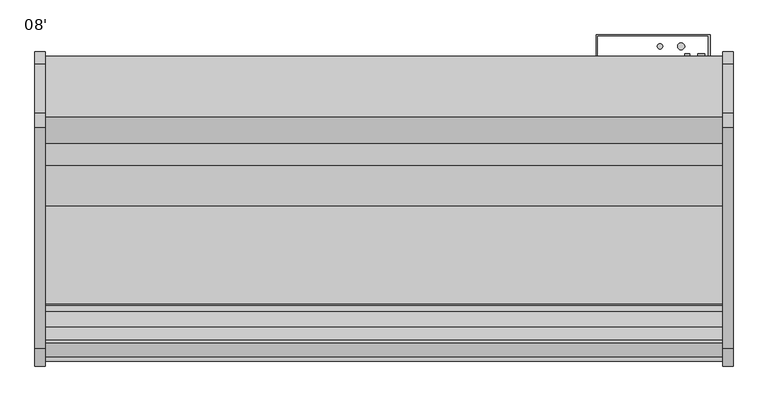
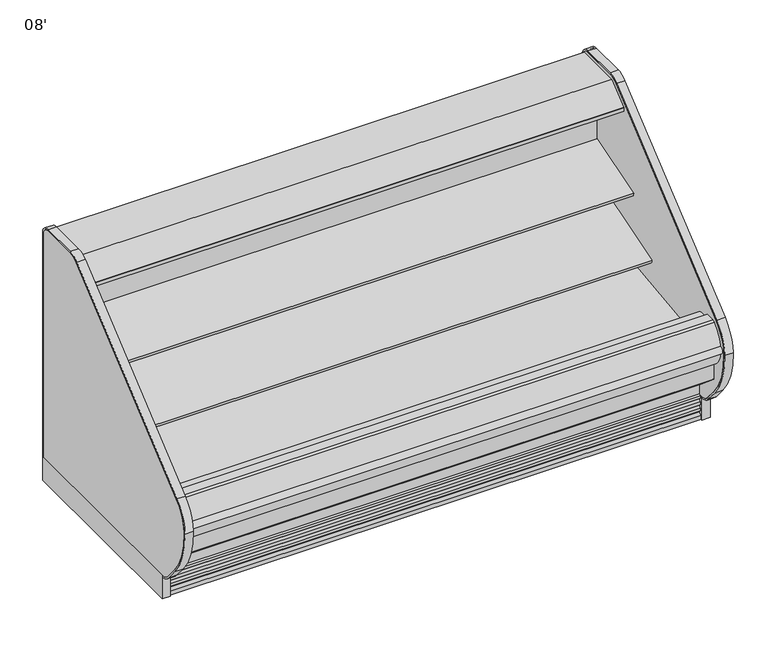
"""IFC4 building model written with IfcOpenShell, lengths in millimetres: proxy geometry, 08'."""

from ifc_helpers import new_model, si_unit, point, frame, frame_2d, origin, origin_with_axes, place, context, project, spatial, polyline, circle_curve, trimmed, segment, composite_curve, outline, extrude, source, transform, mapped, element, save
from ifc_brep_helpers import plane_surface, cylinder_surface, revolved_surface, advanced_brep


def proxy_08_70525a5b(model_context):
    return source(origin(), model_context, "Body", "SolidModel", [
        extrude(outline(composite_curve([segment(trimmed(circle_curve(frame_2d((2190.6252137, -1128.5839273)), 9.525), [point((2181.1002137, -1128.5839273))], [point((2200.1502137, -1128.5839273))], False, "CARTESIAN"), True, "CONTINUOUS"), segment(trimmed(circle_curve(frame_2d((2190.6252137, -1128.5839273)), 9.525), [point((2200.1502137, -1128.5839273))], [point((2181.1002137, -1128.5839273))], False, "CARTESIAN"), True, "CONTINUOUS")], self_intersect=False)), frame((0.0, 0.0, 68.5310382), z_axis=(0.0, 0.0, 1.0), x_axis=(1.0, 0.0, 0.0)), (0.0, 0.0, 1.0), 52.7807458),
        extrude(outline(composite_curve([segment(trimmed(circle_curve(frame_2d((2240.279026, -1128.5839273)), 12.7), [point((2227.579026, -1128.5839273))], [point((2252.979026, -1128.5839273))], False, "CARTESIAN"), True, "CONTINUOUS"), segment(trimmed(circle_curve(frame_2d((2240.279026, -1128.5839273)), 12.7), [point((2252.979026, -1128.5839273))], [point((2227.579026, -1128.5839273))], False, "CARTESIAN"), True, "CONTINUOUS")], self_intersect=False)), frame((0.0, 0.0, 68.5310382), z_axis=(0.0, 0.0, 1.0), x_axis=(1.0, 0.0, 0.0)), (0.0, 0.0, 1.0), 52.7807458),
        extrude(outline(composite_curve([segment(polyline([(-514.5184043, 1137.9230838), (-504.8108903, 1140.9213787), (-504.5441858, 1140.0578752), (-503.4770145, 1140.0578752), (-503.4770145, 1046.2935435), (-528.7722287, 1042.7407473)]), True, "CONTINUOUS"), segment(trimmed(circle_curve(frame_2d((-528.9121117, 1044.3144225)), 1.57988), [point((-528.7722287, 1042.7407473))], [point((-530.4766164, 1044.0945457))], False, "CARTESIAN"), True, "CONTINUOUS"), segment(polyline([(-530.4766164, 1044.0945457), (-531.3614261, 1050.3902938), (-530.5766584, 1050.5005857), (-529.5822638, 1043.4251005), (-506.0015054, 1046.73916), (-520.0975442, 1147.0376871), (-542.8581255, 1144.0153314)]), True, "CONTINUOUS"), segment(trimmed(circle_curve(frame_2d((-542.7544773, 1143.234783)), 0.7874), [point((-542.8581255, 1144.0153314))], [point((-543.5350257, 1143.1311347))], True, "CARTESIAN"), True, "CONTINUOUS"), segment(polyline([(-543.5350257, 1143.1311347), (-542.5119167, 1135.4263646), (-543.2924653, 1135.3227184), (-544.3155741, 1143.0274865)]), True, "CONTINUOUS"), segment(trimmed(circle_curve(frame_2d((-542.7544773, 1143.234783)), 1.5748), [point((-544.3155741, 1143.0274865))], [point((-542.9617738, 1144.7958798))], False, "CARTESIAN"), True, "CONTINUOUS"), segment(polyline([(-542.9617738, 1144.7958798), (-518.9973626, 1147.9780909)]), True, "CONTINUOUS"), segment(trimmed(circle_curve(frame_2d((-518.7900661, 1146.4169941)), 1.5748), [point((-518.9973626, 1147.9780909))], [point((-517.2854014, 1146.8817298))], False, "CARTESIAN"), True, "CONTINUOUS"), segment(polyline([(-517.2854014, 1146.8817298), (-514.5184043, 1137.9230838)]), True, "CONTINUOUS")], self_intersect=False)), frame((0.0, 0.0, 0.0), z_axis=(1.0, 0.0, 0.0), x_axis=(0.0, 1.0, 0.0)), (0.0, 0.0, 1.0), 2438.4),
        extrude(outline(polyline([(-401.5419232, 1219.2), (-401.5419232, 1172.7720648), (-452.3089273, 1172.7720648), (-452.3089273, 1140.0578752), (-504.5441858, 1140.0578752), (-506.6234348, 1146.7898143), (-511.417881, 1145.3089857), (-535.4879211, 1173.9945425), (-642.2562389, 1173.9945425), (-643.0944389, 1173.1563425), (-643.0944389, 1162.0311425), (-643.6525285, 1160.8523324), (-688.2903714, 1124.2763324), (-689.2562818, 1123.9311425), (-700.752905, 1123.9311425), (-700.752905, 1121.9993669), (-715.8339273, 1121.9993669), (-715.8339273, 1140.2683169), (-715.2407658, 1141.5119059), (-619.3039593, 1219.2), (-401.5419232, 1219.2)])), frame((0.0, 0.0, 0.0), z_axis=(1.0, 0.0, 0.0), x_axis=(0.0, 1.0, 0.0)), (0.0, 0.0, 1.0), 2438.4),
        extrude(outline(composite_curve([segment(polyline([(-506.0015054, 1046.73916), (-529.5822638, 1043.4251005), (-530.5766584, 1050.5005857), (-542.5070926, 1135.3900359), (-543.5350257, 1143.1311347)]), True, "CONTINUOUS"), segment(trimmed(circle_curve(frame_2d((-542.7544773, 1143.234783)), 0.7874), [point((-543.5350257, 1143.1311347))], [point((-542.8581255, 1144.0153314))], False, "CARTESIAN"), True, "CONTINUOUS"), segment(polyline([(-542.8581255, 1144.0153314), (-520.0975442, 1147.0376871), (-506.0015054, 1046.73916)]), True, "CONTINUOUS")], self_intersect=False)), frame((0.0, 0.0, 0.0), z_axis=(1.0, 0.0, 0.0), x_axis=(0.0, 1.0, 0.0)), (0.0, 0.0, 1.0), 2438.4),
        extrude(outline(composite_curve([segment(trimmed(circle_curve(frame_2d((-587.0366389, 1151.3155175)), 14.2875), [point((-601.3241389, 1151.3155175))], [point((-572.7491389, 1151.3155175))], False, "CARTESIAN"), True, "CONTINUOUS"), segment(trimmed(circle_curve(frame_2d((-587.0366389, 1151.3155175)), 14.2875), [point((-572.7491389, 1151.3155175))], [point((-601.3241389, 1151.3155175))], False, "CARTESIAN"), True, "CONTINUOUS")], self_intersect=False)), frame((0.0, 0.0, 0.0), z_axis=(1.0, 0.0, 0.0), x_axis=(0.0, 1.0, 0.0)), (0.0, 0.0, 1.0), 2438.4),
        extrude(outline(composite_curve([segment(trimmed(circle_curve(frame_2d((-624.4254389, 1151.3155175)), 14.2875), [point((-638.7129389, 1151.3155175))], [point((-610.1379389, 1151.3155175))], False, "CARTESIAN"), True, "CONTINUOUS"), segment(trimmed(circle_curve(frame_2d((-624.4254389, 1151.3155175)), 14.2875), [point((-610.1379389, 1151.3155175))], [point((-638.7129389, 1151.3155175))], False, "CARTESIAN"), True, "CONTINUOUS")], self_intersect=False)), frame((0.0, 0.0, 0.0), z_axis=(1.0, 0.0, 0.0), x_axis=(0.0, 1.0, 0.0)), (0.0, 0.0, 1.0), 2438.4),
        extrude(outline(polyline([(2387.7852968, -401.5089273), (2387.7852968, -328.4839273), (1987.894795, -328.4839273), (1987.894795, -401.5089273), (1983.9108738, -401.5089273), (1983.9108738, -325.3089273), (2393.95, -325.3089273), (2393.95, -401.5089273), (2387.7852968, -401.5089273)])), frame((0.0, 0.0, 183.281282), z_axis=(0.0, 0.0, 1.0), x_axis=(1.0, 0.0, 0.0)), (0.0, 0.0, 1.0), 925.9383854),
        advanced_brep(
        [(0.0, -401.5089273, 1172.7720648), (0.0, -401.5089273, 130.175), (0.0, -1280.7758002, 130.175), (0.0, -1430.5207837, 255.8259604), (0.0, -1430.5207837, 390.4771975), (0.0, -1379.5124455, 390.4771975), (0.0, -1379.5124455, 334.3739209), (0.0, -1221.964683, 189.2843753), (0.0, -1163.9200968, 157.108203), (0.0, -1097.1040899, 157.108203), (0.0, -1043.9921866, 195.6902403), (0.0, -599.382701, 211.674682), (0.0, -452.3089273, 350.7638053), (0.0, -452.3089273, 1172.7720648), (2438.4, -401.5089273, 1172.7720648), (2438.4, -452.3089273, 1172.7720648), (2438.4, -452.3089273, 350.7638053), (2438.4, -599.382701, 211.674682), (2438.4, -1043.9921866, 195.6902403), (2438.4, -1097.1040899, 157.108203), (2438.4, -1163.9200968, 157.108203), (2438.4, -1221.964683, 189.2843753), (2438.4, -1379.5124455, 334.3739209), (2438.4, -1379.5124455, 390.4771975), (2438.4, -1430.5207837, 390.4771975), (2438.4, -1430.5207837, 255.8259604), (2438.4, -1280.7758002, 130.175), (2438.4, -401.5089273, 130.175), (2336.8, -401.5089273, 417.7254285), (2336.8, -401.5089273, 316.1254285), (2336.8, -446.7209273, 316.1254285), (2336.8, -446.7209273, 417.7254285)],
        [
            (0, 1),
            (1, 2),
            (2, 3),
            (3, 4),
            (4, 5),
            (5, 6),
            (6, 7, circle_curve(frame((0.0, -1227.2834533, 341.5915343), z_axis=(1.0, 0.0, 0.0), x_axis=(0.0, 1.0, 0.0)), 152.4)),
            (7, 8),
            (8, 9),
            (9, 10),
            (10, 11),
            (11, 12, circle_curve(frame((0.0, -604.8944357, 364.8057873), z_axis=(1.0, 0.0, 0.0), x_axis=(0.0, 1.0, 0.0)), 153.2302667)),
            (12, 13),
            (13, 0),
            (14, 15),
            (15, 16),
            (16, 17, circle_curve(frame((2438.4, -604.8944357, 364.8057873), z_axis=(-1.0, 0.0, 0.0), x_axis=(0.0, 1.0, 0.0)), 153.2302667)),
            (17, 18),
            (18, 19),
            (19, 20),
            (20, 21),
            (21, 22, circle_curve(frame((2438.4, -1227.2834533, 341.5915343), z_axis=(-1.0, 0.0, 0.0), x_axis=(0.0, 1.0, 0.0)), 152.4)),
            (22, 23),
            (23, 24),
            (24, 25),
            (25, 26),
            (26, 27),
            (27, 14),
            (13, 15),
            (14, 0),
            (12, 16),
            (5, 23),
            (22, 6),
            (4, 24),
            (3, 25),
            (2, 26),
            (1, 27),
            (28, 29, circle_curve(frame((2336.8, -401.5089273, 366.9254285), z_axis=(0.0, -1.0, 0.0), x_axis=(0.0, 0.0, 1.0)), 50.8)),
            (29, 28, circle_curve(frame((2336.8, -401.5089273, 366.9254285), z_axis=(0.0, -1.0, 0.0), x_axis=(0.0, 0.0, 1.0)), 50.8)),
            (11, 17),
            (10, 18),
            (9, 19),
            (8, 20),
            (7, 21),
            (30, 31, circle_curve(frame((2336.8, -446.7209273, 366.9254285), z_axis=(0.0, 1.0, 0.0), x_axis=(0.0, 0.0, 1.0)), 50.8)),
            (31, 30, circle_curve(frame((2336.8, -446.7209273, 366.9254285), z_axis=(0.0, 1.0, 0.0), x_axis=(0.0, 0.0, 1.0)), 50.8)),
            (30, 29),
            (28, 31),
        ],
        [
            plane_surface(frame((0.0, -452.3089273, 1172.7720648), z_axis=(-1.0, 0.0, 0.0), x_axis=(0.0, 1.0, 0.0))),
            plane_surface(frame((2438.4, -452.3089273, 1172.7720648), z_axis=(1.0, 0.0, 0.0), x_axis=(0.0, -1.0, 0.0))),
            plane_surface(frame((2438.4, -401.5089273, 1172.7720648), z_axis=(0.0, 0.0, 1.0), x_axis=(-1.0, 0.0, 0.0))),
            plane_surface(frame((2438.4, -452.3089273, 1172.7720648), z_axis=(0.0, -1.0, 0.0), x_axis=(-1.0, 0.0, 0.0))),
            plane_surface(frame((2438.4, -1379.5124455, 334.3739209), z_axis=(0.0, 1.0, 0.0), x_axis=(-1.0, 0.0, 0.0))),
            plane_surface(frame((2438.4, -1379.5124455, 390.4771975), z_axis=(0.0, 0.0, 1.0), x_axis=(-1.0, 0.0, 0.0))),
            plane_surface(frame((2438.4, -1430.5207837, 390.4771975), z_axis=(0.0, -1.0, 0.0), x_axis=(-1.0, 0.0, 0.0))),
            plane_surface(frame((2438.4, -1430.5207837, 255.8259604), z_axis=(0.0, -0.6427876096870797, -0.7660444431185247), x_axis=(-1.0, 0.0, 0.0))),
            plane_surface(frame((2438.4, -1280.7758002, 130.175), z_axis=(0.0, 0.0, -1.0), x_axis=(-1.0, 0.0, 0.0))),
            plane_surface(frame((2438.4, -401.5089273, 130.175), z_axis=(0.0, 1.0, 0.0), x_axis=(-1.0, 0.0, 0.0))),
            revolved_surface(polyline([(0.0, -451.664169, 364.8057873), (2438.4, -451.664169, 364.8057873)]), (0.0, -604.8944357, 364.8057873), (-1.0, 0.0, 0.0)),
            plane_surface(frame((2438.4, -599.382701, 211.674682), z_axis=(0.0, -0.03592843195619589, 0.9993543654666092), x_axis=(-1.0, 0.0, 0.0))),
            plane_surface(frame((2438.4, -1043.9921866, 195.6902403), z_axis=(0.0, -0.5877252382161418, 0.8090605937528904), x_axis=(-1.0, 0.0, 0.0))),
            plane_surface(frame((2438.4, -1097.1040899, 157.108203), z_axis=(0.0, 0.0, 1.0), x_axis=(-1.0, 0.0, 0.0))),
            plane_surface(frame((2438.4, -1163.9200968, 157.108203), z_axis=(0.0, 0.4848272875913505, 0.8746099137368694), x_axis=(-1.0, 0.0, 0.0))),
            revolved_surface(polyline([(0.0, -1074.8834533, 341.5915343), (2438.4, -1074.8834533, 341.5915343)]), (0.0, -1227.2834533, 341.5915343), (-1.0, 0.0, 0.0)),
            plane_surface(frame((2336.8, -446.7209273, 417.7254285), z_axis=(0.0, 1.0, 0.0), x_axis=(-1.0, 0.0, 0.0))),
            revolved_surface(polyline([(2336.8, -401.5089273, 417.7254285), (2336.8, -446.7209273, 417.7254285)]), (2336.8, -446.7209273, 366.9254285), (0.0, 1.0, 0.0)),
        ],
        [
            (0, [[1, 2, 3, 4, 5, 6, 7, 8, 9, 10, 11, 12, 13, 14]]),
            (1, [[15, 16, 17, 18, 19, 20, 21, 22, 23, 24, 25, 26, 27, 28]]),
            (2, [[-14, 29, -15, 30]]),
            (3, [[-13, 31, -16, -29]]),
            (4, [[-6, 32, -23, 33]]),
            (5, [[-5, 34, -24, -32]]),
            (6, [[-4, 35, -25, -34]]),
            (7, [[-3, 36, -26, -35]]),
            (8, [[-2, 37, -27, -36]]),
            (9, [[-1, -30, -28, -37], [38, 39]]),
            (10, [[-12, 40, -17, -31]]),
            (11, [[-11, 41, -18, -40]]),
            (12, [[-10, 42, -19, -41]]),
            (13, [[-9, 43, -20, -42]]),
            (14, [[-8, 44, -21, -43]]),
            (15, [[-7, -33, -22, -44]]),
            (16, [[45, 46]]),
            (17, [[-45, 47, -38, 48]]),
            (17, [[-46, -48, -39, -47]]),
        ],
    ),
        extrude(outline(composite_curve([segment(polyline([(-503.4770145, 861.6565177), (-503.4770145, 783.44874), (-520.8520366, 777.8119162)]), True, "CONTINUOUS"), segment(trimmed(circle_curve(frame_2d((-528.6901714, 801.9722896)), 25.4), [point((-520.8520366, 777.8119162))], [point((-538.1963728, 778.4182637))], False, "CARTESIAN"), True, "CONTINUOUS"), segment(polyline([(-538.1963728, 778.4182637), (-559.4917707, 787.0129023)]), True, "CONTINUOUS"), segment(trimmed(circle_curve(frame_2d((-583.257274, 728.1278376)), 63.5), [point((-559.4917707, 787.0129023))], [point((-594.1259367, 790.6907832))], True, "CARTESIAN"), True, "CONTINUOUS"), segment(polyline([(-594.1259367, 790.6907832), (-731.8940366, 773.3507494), (-734.3236807, 776.2056896), (-790.800009, 758.9391433), (-794.9587042, 772.5416221), (-503.4770145, 861.6565177)]), True, "CONTINUOUS")], self_intersect=False)), frame((0.0, 0.0, 0.0), z_axis=(1.0, 0.0, 0.0), x_axis=(0.0, 1.0, 0.0)), (0.0, 0.0, 1.0), 2438.4),
        extrude(outline(composite_curve([segment(polyline([(-503.4770145, 591.8191637), (-522.1893768, 585.7484786)]), True, "CONTINUOUS"), segment(trimmed(circle_curve(frame_2d((-530.0275116, 609.908852)), 25.4), [point((-522.1893768, 585.7484786))], [point((-539.533713, 586.3548261))], False, "CARTESIAN"), True, "CONTINUOUS"), segment(polyline([(-539.533713, 586.3548261), (-560.8291108, 594.9494647)]), True, "CONTINUOUS"), segment(trimmed(circle_curve(frame_2d((-584.5946142, 536.0644)), 63.5), [point((-560.8291108, 594.9494647))], [point((-595.4632769, 598.6273456))], True, "CARTESIAN"), True, "CONTINUOUS"), segment(polyline([(-595.4632769, 598.6273456), (-783.1797893, 566.0165496), (-785.6094334, 568.8714898), (-936.5408538, 522.7271238), (-940.699549, 536.3296027), (-503.4770145, 670.0019461), (-503.4770145, 591.8191637)]), True, "CONTINUOUS")], self_intersect=False)), frame((0.0, 0.0, 0.0), z_axis=(1.0, 0.0, 0.0), x_axis=(0.0, 1.0, 0.0)), (0.0, 0.0, 1.0), 2438.4),
        extrude(outline(composite_curve([segment(trimmed(circle_curve(frame_2d((-1482.5436564, 431.7775332)), 17.7832634), [point((-1486.5018278, 414.4403669))], [point((-1485.8670799, 449.2474878))], False, "CARTESIAN"), True, "CONTINUOUS"), segment(trimmed(circle_curve(frame_2d((-1314.6679362, 401.3886708)), 177.7628003), [point((-1485.8670799, 449.2474878))], [point((-1488.2158442, 439.8690139))], True, "CARTESIAN"), True, "CONTINUOUS"), segment(trimmed(circle_curve(frame_2d((-1361.2858552, 435.6526323)), 126.9999999), [point((-1488.2158442, 439.8690139))], [point((-1486.5018278, 414.4403669))], True, "CARTESIAN"), True, "CONTINUOUS")], self_intersect=False)), frame((0.0, 0.0, 0.0), z_axis=(1.0, 0.0, 0.0), x_axis=(0.0, 1.0, 0.0)), (0.0, 0.0, 1.0), 2438.4),
        extrude(outline(composite_curve([segment(polyline([(-1430.5207837, 390.4771975), (-1430.5207837, 349.191578), (-1455.8537478, 349.191578)]), True, "CONTINUOUS"), segment(trimmed(circle_curve(frame_2d((-1360.3674523, 434.1532094)), 127.8127984), [point((-1455.8537478, 349.191578))], [point((-1488.0175216, 440.6007866))], False, "CARTESIAN"), True, "CONTINUOUS"), segment(trimmed(circle_curve(frame_2d((-1312.8856615, 403.1660664)), 179.0880417), [point((-1488.0175216, 440.6007866))], [point((-1434.0757284, 535.020131))], False, "CARTESIAN"), True, "CONTINUOUS"), segment(trimmed(circle_curve(frame_2d((-1421.997786, 522.055071)), 17.7191838), [point((-1434.0757284, 535.020131))], [point((-1422.9245877, 539.75))], False, "CARTESIAN"), True, "CONTINUOUS"), segment(polyline([(-1422.9245877, 539.75), (-1377.3315877, 539.75), (-1377.3315877, 520.4426474), (-1379.5124455, 520.4426474), (-1379.5124455, 390.4771975), (-1430.5207837, 390.4771975)]), True, "CONTINUOUS")], self_intersect=False)), frame((0.0, 0.0, 0.0), z_axis=(1.0, 0.0, 0.0), x_axis=(0.0, 1.0, 0.0)), (0.0, 0.0, 1.0), 2438.4),
        extrude(outline(composite_curve([segment(polyline([(-1305.8908654, 151.2490419), (-1305.8908654, 0.0), (-1329.0357106, 0.0), (-1329.0357106, 19.9045671)]), True, "CONTINUOUS"), segment(trimmed(circle_curve(frame_2d((-1328.499887, 33.5999438)), 13.7058546), [point((-1329.0357106, 19.9045671))], [point((-1315.4179076, 29.51188))], True, "CARTESIAN"), True, "CONTINUOUS"), segment(polyline([(-1315.4179076, 29.51188), (-1311.9288106, 40.67714), (-1322.5660058, 38.5193172), (-1324.5599058, 38.5193172), (-1324.5599058, 51.2193172)]), True, "CONTINUOUS"), segment(trimmed(circle_curve(frame_2d((-1328.9777736, 64.7214645)), 14.2065314), [point((-1324.5599058, 51.2193172))], [point((-1315.4179076, 60.4840631))], True, "CARTESIAN"), True, "CONTINUOUS"), segment(polyline([(-1315.4179076, 60.4840631), (-1311.9288106, 71.6493231), (-1322.5660058, 69.4915004), (-1324.5599058, 69.4915004), (-1324.5599058, 82.1915004)]), True, "CONTINUOUS"), segment(trimmed(circle_curve(frame_2d((-1329.0501489, 95.765064)), 14.2969897), [point((-1324.5599058, 82.1915004))], [point((-1315.4179076, 91.4562462))], True, "CARTESIAN"), True, "CONTINUOUS"), segment(polyline([(-1315.4179076, 91.4562462), (-1311.9288106, 102.4950543), (-1322.5660058, 100.4638704), (-1324.5599058, 100.4638704), (-1324.5599058, 113.1638704)]), True, "CONTINUOUS"), segment(trimmed(circle_curve(frame_2d((-1323.9621412, 124.1285303)), 10.9809422), [point((-1324.5599058, 113.1638704))], [point((-1316.1764071, 116.3849243))], True, "CARTESIAN"), True, "CONTINUOUS"), segment(polyline([(-1316.1764071, 116.3849243), (-1316.1764071, 159.8796362), (-1305.8908654, 151.2490419)]), True, "CONTINUOUS")], self_intersect=False)), frame((0.0, 0.0, 0.0), z_axis=(1.0, 0.0, 0.0), x_axis=(0.0, 1.0, 0.0)), (0.0, 0.0, 1.0), 2438.4),
        extrude(outline(composite_curve([segment(trimmed(circle_curve(frame_2d((2212.975, -366.5839273)), 9.525), [point((2203.45, -366.5839273))], [point((2222.5, -366.5839273))], False, "CARTESIAN"), True, "CONTINUOUS"), segment(trimmed(circle_curve(frame_2d((2212.975, -366.5839273)), 9.525), [point((2222.5, -366.5839273))], [point((2203.45, -366.5839273))], False, "CARTESIAN"), True, "CONTINUOUS")], self_intersect=False)), frame((0.0, 0.0, 794.9666444), z_axis=(0.0, 0.0, 1.0), x_axis=(1.0, 0.0, 0.0)), (0.0, 0.0, 1.0), 340.5657556),
        extrude(outline(composite_curve([segment(trimmed(circle_curve(frame_2d((2289.175, -366.5839273)), 12.7), [point((2276.475, -366.5839273))], [point((2301.875, -366.5839273))], False, "CARTESIAN"), True, "CONTINUOUS"), segment(trimmed(circle_curve(frame_2d((2289.175, -366.5839273)), 12.7), [point((2301.875, -366.5839273))], [point((2276.475, -366.5839273))], False, "CARTESIAN"), True, "CONTINUOUS")], self_intersect=False)), frame((0.0, 0.0, 794.9666444), z_axis=(0.0, 0.0, 1.0), x_axis=(1.0, 0.0, 0.0)), (0.0, 0.0, 1.0), 340.5657556),
        extrude(outline(composite_curve([segment(trimmed(circle_curve(frame_2d((368.3, 2362.2)), 12.7), [point((368.3, 2374.9))], [point((368.3, 2349.5))], False, "CARTESIAN"), True, "CONTINUOUS"), segment(trimmed(circle_curve(frame_2d((368.3, 2362.2)), 12.7), [point((368.3, 2349.5))], [point((368.3, 2374.9))], False, "CARTESIAN"), True, "CONTINUOUS")], self_intersect=False)), frame((0.0, -446.7209273, 0.0), z_axis=(0.0, 1.0, 0.0), x_axis=(0.0, 0.0, 1.0)), (0.0, 0.0, 1.0), 52.8518438),
        extrude(outline(composite_curve([segment(trimmed(circle_curve(frame_2d((368.3, 2311.4)), 9.525), [point((368.3, 2320.925))], [point((368.3, 2301.875))], False, "CARTESIAN"), True, "CONTINUOUS"), segment(trimmed(circle_curve(frame_2d((368.3, 2311.4)), 9.525), [point((368.3, 2301.875))], [point((368.3, 2320.925))], False, "CARTESIAN"), True, "CONTINUOUS")], self_intersect=False)), frame((0.0, -446.7209273, 0.0), z_axis=(0.0, 1.0, 0.0), x_axis=(0.0, 0.0, 1.0)), (0.0, 0.0, 1.0), 52.8518438),
        extrude(outline(composite_curve([segment(trimmed(circle_curve(frame_2d((1219.2, -1125.4089273)), 38.1), [point((1181.1, -1125.4089273))], [point((1257.3, -1125.4089273))], False, "CARTESIAN"), True, "CONTINUOUS"), segment(trimmed(circle_curve(frame_2d((1219.2, -1125.4089273)), 38.1), [point((1257.3, -1125.4089273))], [point((1181.1, -1125.4089273))], False, "CARTESIAN"), True, "CONTINUOUS")], self_intersect=False)), frame((0.0, 0.0, 68.5310382), z_axis=(0.0, 0.0, 1.0), x_axis=(1.0, 0.0, 0.0)), (0.0, 0.0, 1.0), 52.7807458),
        extrude(outline(polyline([(-1207.4658654, 16.9113003), (-1305.8908654, 16.9113003), (-1305.8908654, 151.2490419), (-1280.7758002, 130.175), (-1207.4658654, 130.175), (-1207.4658654, 16.9113003)])), frame((0.0, 0.0, 0.0), z_axis=(1.0, 0.0, 0.0), x_axis=(0.0, 1.0, 0.0)), (0.0, 0.0, 1.0), 2438.4),
        advanced_brep(
        [(0.0, -402.2033041, 130.0758033), (0.0, -402.2033041, -0.0991967), (0.0, -447.4153041, -0.0991967), (0.0, -447.4153041, 74.7818415), (0.0, -1161.2418973, 74.7818415), (0.0, -1161.2418973, -0.0991967), (0.0, -1207.4682506, -0.0991967), (0.0, -1207.4682506, 130.0758033), (2438.4, -402.2033041, 130.0758033), (2438.4, -1207.4682506, 130.0758033), (2438.4, -1207.4682506, -0.0991967), (2438.4, -1161.2418973, -0.0991967), (2438.4, -1161.2418973, 74.7818415), (2438.4, -447.4153041, 74.7818415), (2438.4, -447.4153041, -0.0991967), (2438.4, -402.2033041, -0.0991967), (1183.1911364, -1161.2418973, -0.0991967), (1255.2088636, -1161.2418973, -0.0991967), (2177.2386007, -1161.2418973, -0.0991967), (2255.0613993, -1161.2418973, -0.0991967), (1183.1911364, -1161.2418973, 74.7818415), (2255.0613993, -1161.2418973, 74.7818415), (1255.2088636, -1161.2418973, 74.7818415), (2177.2386007, -1161.2418973, 74.7818415), (2266.95, -1128.5839273, 74.7818415), (2165.35, -1128.5839273, 74.7818415), (1270.0, -1125.4089273, 74.7818415), (1168.4, -1125.4089273, 74.7818415), (1168.4, -1125.4089273, 121.311784), (1270.0, -1125.4089273, 121.311784), (2165.35, -1128.5839273, 121.311784), (2266.95, -1128.5839273, 121.311784)],
        [
            (0, 1),
            (1, 2),
            (2, 3),
            (3, 4),
            (4, 5),
            (5, 6),
            (6, 7),
            (7, 0),
            (8, 9),
            (9, 10),
            (10, 11),
            (11, 12),
            (12, 13),
            (13, 14),
            (14, 15),
            (15, 8),
            (7, 9),
            (8, 0),
            (6, 10),
            (5, 16),
            (16, 17, circle_curve(frame((1219.2, -1125.4089273, -0.0991967), z_axis=(0.0, 0.0, 1.0), x_axis=(1.0, 0.0, 0.0)), 50.8)),
            (17, 18),
            (18, 19, circle_curve(frame((2216.15, -1128.5839273, -0.0991967), z_axis=(0.0, 0.0, 1.0), x_axis=(1.0, 0.0, 0.0)), 50.8)),
            (19, 11),
            (4, 20),
            (20, 16),
            (19, 21),
            (21, 12),
            (17, 22),
            (22, 23),
            (23, 18),
            (3, 13),
            (21, 24, circle_curve(frame((2216.15, -1128.5839273, 74.7818415), z_axis=(0.0, 0.0, 1.0), x_axis=(1.0, 0.0, 0.0)), 50.8)),
            (24, 25, circle_curve(frame((2216.15, -1128.5839273, 74.7818415), z_axis=(0.0, 0.0, 1.0), x_axis=(1.0, 0.0, 0.0)), 50.8)),
            (25, 23, circle_curve(frame((2216.15, -1128.5839273, 74.7818415), z_axis=(0.0, 0.0, 1.0), x_axis=(1.0, 0.0, 0.0)), 50.8)),
            (22, 26, circle_curve(frame((1219.2, -1125.4089273, 74.7818415), z_axis=(0.0, 0.0, 1.0), x_axis=(1.0, 0.0, 0.0)), 50.8)),
            (26, 27, circle_curve(frame((1219.2, -1125.4089273, 74.7818415), z_axis=(0.0, 0.0, 1.0), x_axis=(1.0, 0.0, 0.0)), 50.8)),
            (27, 20, circle_curve(frame((1219.2, -1125.4089273, 74.7818415), z_axis=(0.0, 0.0, 1.0), x_axis=(1.0, 0.0, 0.0)), 50.8)),
            (2, 14),
            (1, 15),
            (28, 29, circle_curve(frame((1219.2, -1125.4089273, 121.311784), z_axis=(0.0, 0.0, -1.0), x_axis=(1.0, 0.0, 0.0)), 50.8)),
            (29, 28, circle_curve(frame((1219.2, -1125.4089273, 121.311784), z_axis=(0.0, 0.0, -1.0), x_axis=(1.0, 0.0, 0.0)), 50.8)),
            (29, 26),
            (27, 28),
            (30, 31, circle_curve(frame((2216.15, -1128.5839273, 121.311784), z_axis=(0.0, 0.0, -1.0), x_axis=(1.0, 0.0, 0.0)), 50.8)),
            (31, 30, circle_curve(frame((2216.15, -1128.5839273, 121.311784), z_axis=(0.0, 0.0, -1.0), x_axis=(1.0, 0.0, 0.0)), 50.8)),
            (31, 24),
            (25, 30),
        ],
        [
            plane_surface(frame((0.0, -1206.5727421, 130.0758033), z_axis=(-1.0, 0.0, 0.0), x_axis=(0.0, 1.0, 0.0))),
            plane_surface(frame((2438.4, -1206.5727421, 130.0758033), z_axis=(1.0, 0.0, 0.0), x_axis=(0.0, -1.0, 0.0))),
            plane_surface(frame((2438.4, -402.2033041, 130.0758033), z_axis=(0.0, 0.0, 1.0), x_axis=(-1.0, 0.0, 0.0))),
            plane_surface(frame((2438.4, -1207.4682506, 130.0758033), z_axis=(0.0, -1.0, 0.0), x_axis=(-1.0, 0.0, 0.0))),
            plane_surface(frame((2438.4, -1207.4682506, -0.0991967), z_axis=(0.0, 0.0, -1.0), x_axis=(-1.0, 0.0, 0.0))),
            plane_surface(frame((2438.4, -1161.2418973, -0.0991967), z_axis=(0.0, 1.0, 0.0), x_axis=(-1.0, 0.0, 0.0))),
            plane_surface(frame((2438.4, -1161.2418973, 74.7818415), z_axis=(0.0, 0.0, -1.0), x_axis=(-1.0, 0.0, 0.0))),
            plane_surface(frame((2438.4, -447.4153041, 74.7818415), z_axis=(0.0, -1.0, 0.0), x_axis=(-1.0, 0.0, 0.0))),
            plane_surface(frame((2438.4, -447.4153041, -0.0991967), z_axis=(0.0, 0.0, -1.0), x_axis=(-1.0, 0.0, 0.0))),
            plane_surface(frame((2438.4, -402.2033041, -0.0991967), z_axis=(0.0, 1.0, 0.0), x_axis=(-1.0, 0.0, 0.0))),
            plane_surface(frame((1270.0, -1125.4089273, 121.311784), z_axis=(0.0, 0.0, -1.0), x_axis=(0.0, 1.0, 0.0))),
            revolved_surface(polyline([(1270.0, -1125.4089273, 121.311784), (1270.0, -1125.4089273, -0.0991967)]), (1219.2, -1125.4089273, 0.0), (0.0, 0.0, 1.0)),
            revolved_surface(polyline([(1270.0, -1125.4089273, 121.311784), (1270.0, -1125.4089273, 74.7818415)]), (1219.2, -1125.4089273, 0.0), (0.0, 0.0, 1.0)),
            plane_surface(frame((2266.95, -1128.5839273, 121.311784), z_axis=(0.0, 0.0, -1.0), x_axis=(0.0, 1.0, 0.0))),
            revolved_surface(polyline([(2266.9500000000003, -1128.5839273, 121.311784), (2266.9500000000003, -1128.5839273, -0.0991967)]), (2216.15, -1128.5839273, 0.0), (0.0, 0.0, 1.0)),
            revolved_surface(polyline([(2266.9500000000003, -1128.5839273, 121.311784), (2266.9500000000003, -1128.5839273, 74.7818415)]), (2216.15, -1128.5839273, 0.0), (0.0, 0.0, 1.0)),
        ],
        [
            (0, [[1, 2, 3, 4, 5, 6, 7, 8]]),
            (1, [[9, 10, 11, 12, 13, 14, 15, 16]]),
            (2, [[-8, 17, -9, 18]]),
            (3, [[-7, 19, -10, -17]]),
            (4, [[-6, 20, 21, 22, 23, 24, -11, -19]]),
            (5, [[-5, 25, 26, -20]]),
            (5, [[-12, -24, 27, 28]]),
            (5, [[29, 30, 31, -22]]),
            (6, [[-4, 32, -13, -28, 33, 34, 35, -30, 36, 37, 38, -25]]),
            (7, [[-3, 39, -14, -32]]),
            (8, [[-2, 40, -15, -39]]),
            (9, [[-1, -18, -16, -40]]),
            (10, [[41, 42]]),
            (11, [[-42, 43, -36, -29, -21, -26, -38, 44]]),
            (12, [[-41, -44, -37, -43]]),
            (13, [[45, 46]]),
            (14, [[-46, 47, -33, -27, -23, -31, -35, 48]]),
            (15, [[-45, -48, -34, -47]]),
        ],
    ),
        extrude(outline(polyline([(688.975, -695.7578022), (688.975, -1117.5324221), (180.975, -1117.5324221), (180.975, -695.7578022), (688.975, -695.7578022)])), frame((0.0, 0.0, 68.5310382), z_axis=(0.0, 0.0, 1.0), x_axis=(1.0, 0.0, 0.0)), (0.0, 0.0, 1.0), 6.35),
        extrude(outline(polyline([(2438.4, -452.3089273), (2438.4, -503.4770145), (0.0, -503.4770145), (0.0, -452.3089273), (2438.4, -452.3089273)])), frame((0.0, 0.0, 415.8429537), z_axis=(0.0, 0.0, 1.0), x_axis=(1.0, 0.0, 0.0)), (0.0, 0.0, 1.0), 724.2149215),
        advanced_brep(
        [(0.0, -503.4770145, 415.8429537), (0.0, -452.3089273, 415.8429537), (0.0, -452.3089273, 350.7638053), (0.0, -599.382701, 211.674682), (0.0, -1043.4743285, 195.6902403), (0.0, -1096.5862318, 157.108203), (0.0, -1163.4022387, 157.108203), (0.0, -1221.4788318, 189.3021178), (0.0, -1379.5124455, 334.3739209), (0.0, -1379.5124455, 520.4426474), (0.0, -1322.6270145, 520.4426474), (0.0, -1322.6270145, 372.3098474), (0.0, -1298.2271496, 372.3098474), (0.0, -1292.7855784, 374.2514867), (0.0, -599.3661067, 457.3237105), (0.0, -599.0019346, 452.1158065), (0.0, -516.37749, 457.8934705), (0.0, -503.4770145, 470.7939459), (2438.4, -503.4770145, 415.8429537), (2438.4, -503.4770145, 470.7939459), (2438.4, -516.37749, 457.8934705), (2438.4, -599.0019346, 452.1158065), (2438.4, -599.3661067, 457.3237105), (2438.4, -1292.7855784, 374.2514867), (2438.4, -1298.2271496, 372.3098474), (2438.4, -1322.6270145, 372.3098474), (2438.4, -1322.6270145, 520.4426474), (2438.4, -1379.5124455, 520.4426474), (2438.4, -1379.5124455, 334.3739209), (2438.4, -1221.4788318, 189.3021178), (2438.4, -1163.4022387, 157.108203), (2438.4, -1096.5862318, 157.108203), (2438.4, -1043.4743285, 195.6902403), (2438.4, -599.382701, 211.674682), (2438.4, -452.3089273, 350.7638053), (2438.4, -452.3089273, 415.8429537)],
        [
            (0, 1),
            (1, 2),
            (2, 3, circle_curve(frame((0.0, -604.8944357, 364.8057873), z_axis=(-1.0, 0.0, 0.0), x_axis=(0.0, 1.0, 0.0)), 153.2302667)),
            (3, 4),
            (4, 5),
            (5, 6),
            (6, 7),
            (7, 8, circle_curve(frame((0.0, -1227.2834533, 341.5915343), z_axis=(-1.0, 0.0, 0.0), x_axis=(0.0, 1.0, 0.0)), 152.4)),
            (8, 9),
            (9, 10),
            (10, 11),
            (11, 12),
            (12, 13),
            (13, 14),
            (14, 15),
            (15, 16),
            (16, 17, circle_curve(frame((0.0, -516.37749, 470.7939459), z_axis=(1.0, 0.0, 0.0), x_axis=(0.0, 1.0, 0.0)), 12.9004754)),
            (17, 0),
            (18, 19),
            (19, 20, circle_curve(frame((2438.4, -516.37749, 470.7939459), z_axis=(-1.0, 0.0, 0.0), x_axis=(0.0, 1.0, 0.0)), 12.9004754)),
            (20, 21),
            (21, 22),
            (22, 23),
            (23, 24),
            (24, 25),
            (25, 26),
            (26, 27),
            (27, 28),
            (28, 29, circle_curve(frame((2438.4, -1227.2834533, 341.5915343), z_axis=(1.0, 0.0, 0.0), x_axis=(0.0, 1.0, 0.0)), 152.4)),
            (29, 30),
            (30, 31),
            (31, 32),
            (32, 33),
            (33, 34, circle_curve(frame((2438.4, -604.8944357, 364.8057873), z_axis=(1.0, 0.0, 0.0), x_axis=(0.0, 1.0, 0.0)), 153.2302667)),
            (34, 35),
            (35, 18),
            (34, 2),
            (1, 35),
            (0, 18),
            (17, 19),
            (16, 20),
            (15, 21),
            (14, 22),
            (29, 7),
            (6, 30),
            (5, 31),
            (4, 32),
            (3, 33),
            (13, 23),
            (12, 24),
            (11, 25),
            (10, 26),
            (9, 27),
            (8, 28),
        ],
        [
            plane_surface(frame((0.0, -503.4770145, 1092.9956953), z_axis=(-1.0, 0.0, 0.0), x_axis=(0.0, 0.0, -1.0))),
            plane_surface(frame((2438.4, -503.4770145, 1092.9956953), z_axis=(1.0, 0.0, 0.0), x_axis=(0.0, 0.0, 1.0))),
            plane_surface(frame((2438.4, -452.3089273, 350.7638053), z_axis=(0.0, 1.0, 0.0), x_axis=(-1.0, 0.0, 0.0))),
            plane_surface(frame((2438.4, -452.3089273, 415.8429537), z_axis=(0.0, 0.0, 1.0), x_axis=(-1.0, 0.0, 0.0))),
            plane_surface(frame((2438.4, -503.4770145, 415.8429537), z_axis=(0.0, 1.0, 0.0), x_axis=(-1.0, 0.0, 0.0))),
            revolved_surface(polyline([(0.0, -503.47701459999996, 470.7939459), (2438.4, -503.47701459999996, 470.7939459)]), (0.0, -516.37749, 470.7939459), (-1.0, 0.0, 0.0)),
            plane_surface(frame((2438.4, -516.37749, 457.8934705), z_axis=(0.0, -0.06975647369772905, 0.9975640502630686), x_axis=(-1.0, 0.0, 0.0))),
            plane_surface(frame((2438.4, -599.0019346, 452.1158065), z_axis=(0.0, 0.9975640502630934, 0.06975647369737496), x_axis=(-1.0, 0.0, 0.0))),
            plane_surface(frame((2438.4, -1221.4788318, 189.3021178), z_axis=(0.0, -0.48482728759135, -0.8746099137368696), x_axis=(-1.0, 0.0, 0.0))),
            plane_surface(frame((2438.4, -1163.4022387, 157.108203), z_axis=(0.0, 0.0, -1.0), x_axis=(-1.0, 0.0, 0.0))),
            plane_surface(frame((2438.4, -1096.5862318, 157.108203), z_axis=(0.0, 0.5877252382161428, -0.8090605937528897), x_axis=(-1.0, 0.0, 0.0))),
            plane_surface(frame((2438.4, -1043.4743285, 195.6902403), z_axis=(0.0, 0.03597027415217256, -0.9993528602938092), x_axis=(-1.0, 0.0, 0.0))),
            cylinder_surface(frame((0.0, -604.8944357, 364.8057873), z_axis=(1.0, 0.0, 0.0), x_axis=(0.0, 1.0, 0.0)), 153.2302667),
            plane_surface(frame((2438.4, -599.3661067, 457.3237105), z_axis=(0.0, -0.11895026338575308, 0.9929002139391753), x_axis=(-1.0, 0.0, 0.0))),
            plane_surface(frame((2438.4, -1292.7855784, 374.2514867), z_axis=(0.0, -0.33606330765123693, 0.9418393988629432), x_axis=(-1.0, 0.0, 0.0))),
            plane_surface(frame((2438.4, -1298.2271496, 372.3098474), z_axis=(0.0, 0.0, 1.0), x_axis=(-1.0, 0.0, 0.0))),
            plane_surface(frame((2438.4, -1322.6270145, 372.3098474), z_axis=(0.0, 1.0, 0.0), x_axis=(-1.0, 0.0, 0.0))),
            plane_surface(frame((2438.4, -1322.6270145, 520.4426474), z_axis=(0.0, 0.0, 1.0), x_axis=(-1.0, 0.0, 0.0))),
            plane_surface(frame((2438.4, -1379.5124455, 520.4426474), z_axis=(0.0, -1.0, 0.0), x_axis=(-1.0, 0.0, 0.0))),
            cylinder_surface(frame((0.0, -1227.2834533, 341.5915343), z_axis=(1.0, 0.0, 0.0), x_axis=(0.0, 1.0, 0.0)), 152.4),
        ],
        [
            (0, [[1, 2, 3, 4, 5, 6, 7, 8, 9, 10, 11, 12, 13, 14, 15, 16, 17, 18]]),
            (1, [[19, 20, 21, 22, 23, 24, 25, 26, 27, 28, 29, 30, 31, 32, 33, 34, 35, 36]]),
            (2, [[-35, 37, -2, 38]]),
            (3, [[-36, -38, -1, 39]]),
            (4, [[-19, -39, -18, 40]]),
            (5, [[-20, -40, -17, 41]]),
            (6, [[-21, -41, -16, 42]]),
            (7, [[-22, -42, -15, 43]]),
            (8, [[-30, 44, -7, 45]]),
            (9, [[-31, -45, -6, 46]]),
            (10, [[-32, -46, -5, 47]]),
            (11, [[-33, -47, -4, 48]]),
            (12, [[-34, -48, -3, -37]]),
            (13, [[-23, -43, -14, 49]]),
            (14, [[-24, -49, -13, 50]]),
            (15, [[-25, -50, -12, 51]]),
            (16, [[-26, -51, -11, 52]]),
            (17, [[-27, -52, -10, 53]]),
            (18, [[-28, -53, -9, 54]]),
            (19, [[-29, -54, -8, -44]]),
        ],
    ),
        extrude(outline(polyline([(0.0, -385.6339273), (0.0, -1335.5812273), (-38.1, -1335.5812273), (-38.1, -385.6339273), (0.0, -385.6339273)])), origin_with_axes(), (0.0, 0.0, 1.0), 114.3),
        extrude(outline(composite_curve([segment(polyline([(-1335.5812273, 114.3), (-1335.5812273, 107.95)]), True, "CONTINUOUS"), segment(trimmed(circle_curve(frame_2d((-1335.5812273, 171.45)), 63.5), [point((-1335.5812273, 107.95))], [point((-1384.2250494, 130.6329868))], False, "CARTESIAN"), True, "CONTINUOUS"), segment(polyline([(-1384.2250494, 130.6329868), (-1436.0410491, 192.3848905)]), True, "CONTINUOUS"), segment(trimmed(circle_curve(frame_2d((-1168.5000273, 416.8784632)), 349.25), [point((-1436.0410491, 192.3848905))], [point((-1517.6605971, 424.7815657))], False, "CARTESIAN"), True, "CONTINUOUS"), segment(trimmed(circle_curve(frame_2d((-1339.9061252, 420.758168)), 177.8), [point((-1517.6605971, 424.7815657))], [point((-1454.0998729, 557.0395974))], False, "CARTESIAN"), True, "CONTINUOUS"), segment(polyline([(-1454.0998729, 557.0395974), (-658.5976518, 1223.6115608)]), True, "CONTINUOUS"), segment(trimmed(circle_curve(frame_2d((-605.5791261, 1160.33804)), 82.55), [point((-658.5976518, 1223.6115608))], [point((-605.5791261, 1242.88804))], False, "CARTESIAN"), True, "CONTINUOUS"), segment(polyline([(-605.5791261, 1242.88804), (-430.0839273, 1242.88804)]), True, "CONTINUOUS"), segment(trimmed(circle_curve(frame_2d((-430.0839273, 1198.43804)), 44.45), [point((-430.0839273, 1242.88804))], [point((-385.6339273, 1198.43804))], False, "CARTESIAN"), True, "CONTINUOUS"), segment(polyline([(-385.6339273, 1198.43804), (-385.6339273, 114.3), (-391.9839273, 114.3), (-391.9839273, 1198.43804)]), True, "CONTINUOUS"), segment(trimmed(circle_curve(frame_2d((-430.0839273, 1198.43804)), 38.1), [point((-391.9839273, 1198.43804))], [point((-430.0839273, 1236.53804))], True, "CARTESIAN"), True, "CONTINUOUS"), segment(polyline([(-430.0839273, 1236.53804), (-605.5791261, 1236.53804)]), True, "CONTINUOUS"), segment(trimmed(circle_curve(frame_2d((-605.5791261, 1160.33804)), 76.2), [point((-605.5791261, 1236.53804))], [point((-654.5193036, 1218.7443669))], True, "CARTESIAN"), True, "CONTINUOUS"), segment(polyline([(-654.5193036, 1218.7443669), (-1450.0215247, 552.1724035)]), True, "CONTINUOUS"), segment(trimmed(circle_curve(frame_2d((-1339.9061252, 420.758168)), 171.45), [point((-1450.0215247, 552.1724035))], [point((-1511.3122231, 424.6378729))], True, "CARTESIAN"), True, "CONTINUOUS"), segment(trimmed(circle_curve(frame_2d((-1168.5000273, 416.8784632)), 342.9), [point((-1511.3122231, 424.6378729))], [point((-1431.1766668, 196.4665918))], True, "CARTESIAN"), True, "CONTINUOUS"), segment(polyline([(-1431.1766668, 196.4665918), (-1379.3606672, 134.7146881)]), True, "CONTINUOUS"), segment(trimmed(circle_curve(frame_2d((-1335.5812273, 171.45)), 57.15), [point((-1379.3606672, 134.7146881))], [point((-1335.5812273, 114.3))], True, "CARTESIAN"), True, "CONTINUOUS")], self_intersect=False)), frame((-38.1, 0.0, 0.0), z_axis=(1.0, 0.0, 0.0), x_axis=(0.0, 1.0, 0.0)), (0.0, 0.0, 1.0), 38.1),
        extrude(outline(composite_curve([segment(trimmed(circle_curve(frame_2d((-1335.5812273, 171.45)), 57.15), [point((-1335.5812273, 114.3))], [point((-1379.3606672, 134.7146881))], False, "CARTESIAN"), True, "CONTINUOUS"), segment(polyline([(-1379.3606672, 134.7146881), (-1431.1766668, 196.4665918)]), True, "CONTINUOUS"), segment(trimmed(circle_curve(frame_2d((-1168.5000273, 416.8784632)), 342.9), [point((-1431.1766668, 196.4665918))], [point((-1511.3122231, 424.6378729))], False, "CARTESIAN"), True, "CONTINUOUS"), segment(trimmed(circle_curve(frame_2d((-1339.9061252, 420.758168)), 171.45), [point((-1511.3122231, 424.6378729))], [point((-1450.0215247, 552.1724035))], False, "CARTESIAN"), True, "CONTINUOUS"), segment(polyline([(-1450.0215247, 552.1724035), (-654.5193036, 1218.7443669)]), True, "CONTINUOUS"), segment(trimmed(circle_curve(frame_2d((-605.5791261, 1160.33804)), 76.2), [point((-654.5193036, 1218.7443669))], [point((-605.5791261, 1236.53804))], False, "CARTESIAN"), True, "CONTINUOUS"), segment(polyline([(-605.5791261, 1236.53804), (-430.0839273, 1236.53804)]), True, "CONTINUOUS"), segment(trimmed(circle_curve(frame_2d((-430.0839273, 1198.43804)), 38.1), [point((-430.0839273, 1236.53804))], [point((-391.9839273, 1198.43804))], False, "CARTESIAN"), True, "CONTINUOUS"), segment(polyline([(-391.9839273, 1198.43804), (-391.9839273, 114.3), (-1335.5812273, 114.3)]), True, "CONTINUOUS")], self_intersect=False)), frame((-38.1, 0.0, 0.0), z_axis=(1.0, 0.0, 0.0), x_axis=(0.0, 1.0, 0.0)), (0.0, 0.0, 1.0), 38.1),
        extrude(outline(polyline([(2476.5, -385.6339273), (2476.5, -1335.5812273), (2438.4, -1335.5812273), (2438.4, -385.6339273), (2476.5, -385.6339273)])), origin_with_axes(), (0.0, 0.0, 1.0), 114.3),
        extrude(outline(composite_curve([segment(polyline([(-1335.5812273, 114.3), (-1335.5812273, 107.95)]), True, "CONTINUOUS"), segment(trimmed(circle_curve(frame_2d((-1335.5812273, 171.45)), 63.5), [point((-1335.5812273, 107.95))], [point((-1384.2250494, 130.6329868))], False, "CARTESIAN"), True, "CONTINUOUS"), segment(polyline([(-1384.2250494, 130.6329868), (-1436.0410491, 192.3848905)]), True, "CONTINUOUS"), segment(trimmed(circle_curve(frame_2d((-1168.5000273, 416.8784632)), 349.25), [point((-1436.0410491, 192.3848905))], [point((-1517.6605971, 424.7815657))], False, "CARTESIAN"), True, "CONTINUOUS"), segment(trimmed(circle_curve(frame_2d((-1339.9061252, 420.758168)), 177.8), [point((-1517.6605971, 424.7815657))], [point((-1454.0998729, 557.0395974))], False, "CARTESIAN"), True, "CONTINUOUS"), segment(polyline([(-1454.0998729, 557.0395974), (-658.5976518, 1223.6115608)]), True, "CONTINUOUS"), segment(trimmed(circle_curve(frame_2d((-605.5791261, 1160.33804)), 82.55), [point((-658.5976518, 1223.6115608))], [point((-605.5791261, 1242.88804))], False, "CARTESIAN"), True, "CONTINUOUS"), segment(polyline([(-605.5791261, 1242.88804), (-430.0839273, 1242.88804)]), True, "CONTINUOUS"), segment(trimmed(circle_curve(frame_2d((-430.0839273, 1198.43804)), 44.45), [point((-430.0839273, 1242.88804))], [point((-385.6339273, 1198.43804))], False, "CARTESIAN"), True, "CONTINUOUS"), segment(polyline([(-385.6339273, 1198.43804), (-385.6339273, 114.3), (-391.9839273, 114.3), (-391.9839273, 1198.43804)]), True, "CONTINUOUS"), segment(trimmed(circle_curve(frame_2d((-430.0839273, 1198.43804)), 38.1), [point((-391.9839273, 1198.43804))], [point((-430.0839273, 1236.53804))], True, "CARTESIAN"), True, "CONTINUOUS"), segment(polyline([(-430.0839273, 1236.53804), (-605.5791261, 1236.53804)]), True, "CONTINUOUS"), segment(trimmed(circle_curve(frame_2d((-605.5791261, 1160.33804)), 76.2), [point((-605.5791261, 1236.53804))], [point((-654.5193036, 1218.7443669))], True, "CARTESIAN"), True, "CONTINUOUS"), segment(polyline([(-654.5193036, 1218.7443669), (-1450.0215247, 552.1724035)]), True, "CONTINUOUS"), segment(trimmed(circle_curve(frame_2d((-1339.9061252, 420.758168)), 171.45), [point((-1450.0215247, 552.1724035))], [point((-1511.3122231, 424.6378729))], True, "CARTESIAN"), True, "CONTINUOUS"), segment(trimmed(circle_curve(frame_2d((-1168.5000273, 416.8784632)), 342.9), [point((-1511.3122231, 424.6378729))], [point((-1431.1766668, 196.4665918))], True, "CARTESIAN"), True, "CONTINUOUS"), segment(polyline([(-1431.1766668, 196.4665918), (-1379.3606672, 134.7146881)]), True, "CONTINUOUS"), segment(trimmed(circle_curve(frame_2d((-1335.5812273, 171.45)), 57.15), [point((-1379.3606672, 134.7146881))], [point((-1335.5812273, 114.3))], True, "CARTESIAN"), True, "CONTINUOUS")], self_intersect=False)), frame((2438.4, 0.0, 0.0), z_axis=(1.0, 0.0, 0.0), x_axis=(0.0, 1.0, 0.0)), (0.0, 0.0, 1.0), 38.1),
        extrude(outline(composite_curve([segment(trimmed(circle_curve(frame_2d((-1335.5812273, 171.45)), 57.15), [point((-1335.5812273, 114.3))], [point((-1379.3606672, 134.7146881))], False, "CARTESIAN"), True, "CONTINUOUS"), segment(polyline([(-1379.3606672, 134.7146881), (-1431.1766668, 196.4665918)]), True, "CONTINUOUS"), segment(trimmed(circle_curve(frame_2d((-1168.5000273, 416.8784632)), 342.9), [point((-1431.1766668, 196.4665918))], [point((-1511.3122231, 424.6378729))], False, "CARTESIAN"), True, "CONTINUOUS"), segment(trimmed(circle_curve(frame_2d((-1339.9061252, 420.758168)), 171.45), [point((-1511.3122231, 424.6378729))], [point((-1450.0215247, 552.1724035))], False, "CARTESIAN"), True, "CONTINUOUS"), segment(polyline([(-1450.0215247, 552.1724035), (-654.5193036, 1218.7443669)]), True, "CONTINUOUS"), segment(trimmed(circle_curve(frame_2d((-605.5791261, 1160.33804)), 76.2), [point((-654.5193036, 1218.7443669))], [point((-605.5791261, 1236.53804))], False, "CARTESIAN"), True, "CONTINUOUS"), segment(polyline([(-605.5791261, 1236.53804), (-430.0839273, 1236.53804)]), True, "CONTINUOUS"), segment(trimmed(circle_curve(frame_2d((-430.0839273, 1198.43804)), 38.1), [point((-430.0839273, 1236.53804))], [point((-391.9839273, 1198.43804))], False, "CARTESIAN"), True, "CONTINUOUS"), segment(polyline([(-391.9839273, 1198.43804), (-391.9839273, 114.3), (-1335.5812273, 114.3)]), True, "CONTINUOUS")], self_intersect=False)), frame((2438.4, 0.0, 0.0), z_axis=(1.0, 0.0, 0.0), x_axis=(0.0, 1.0, 0.0)), (0.0, 0.0, 1.0), 38.1),
    ])


if __name__ == "__main__":
    model = new_model("IFC4")
    model_context = context("Model", 3, world=origin())
    ifc_project = project(units=[si_unit("LENGTHUNIT", "METRE", prefix="MILLI")], contexts=[model_context])
    site = spatial("IfcSite", under=ifc_project)
    building = spatial("IfcBuilding", under=site)
    placement = place(None, origin())
    proxy_08_shape = proxy_08_70525a5b(model_context)
    element("IfcBuildingElementProxy", 1, Name="08'", ObjectType="08'", at=placement, inside=building, context=model_context, shape_type="MappedRepresentation", body=[
        mapped(proxy_08_shape, transform((0.0, 0.0, 0.0), x_axis=(1.0, 0.0, 0.0), y_axis=(0.0, 1.0, 0.0), z_axis=(0.0, 0.0, 1.0))),
    ])
    save(model, "model.ifc")
